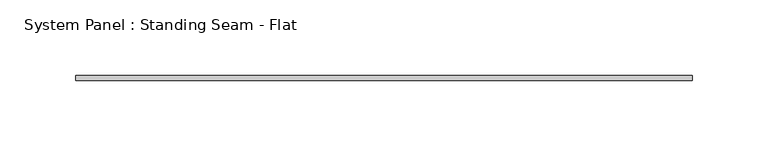
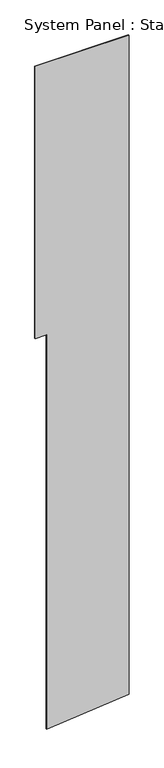
"""IFC4 building model written with IfcOpenShell, lengths in millimetres: plate geometry, System Panel : Standing Seam - Flat."""

from ifc_helpers import new_model, si_unit, frame, origin, place, context, project, spatial, polyline, outline, extrude, source, transform, mapped, element, save


def system_panel_standing_seam_flat_b0cbaabe(model_context):
    return source(origin(), model_context, "Body", "SweptSolid", [
        extrude(outline(polyline([(0.0, -154.7400152), (36.372999, 203.2), (3048.2578427, 203.2), (3048.2578427, -203.2), (1803.6578427, -203.2), (1803.6578427, -154.7400152), (0.0, -154.7400152)])), frame((0.0, -1.5875, 0.0), z_axis=(0.0, 1.0, 0.0), x_axis=(0.0, 0.0, 1.0)), (0.0, 0.0, 1.0), 3.175),
    ])


if __name__ == "__main__":
    model = new_model("IFC4")
    model_context = context("Model", 3, world=origin())
    ifc_project = project(units=[si_unit("LENGTHUNIT", "METRE", prefix="MILLI")], contexts=[model_context])
    site = spatial("IfcSite", under=ifc_project)
    building = spatial("IfcBuilding", under=site)
    placement = place(None, origin())
    system_panel_standing_seam_flat_shape = system_panel_standing_seam_flat_b0cbaabe(model_context)
    element("IfcPlate", 1, ObjectType="System Panel : Standing Seam - Flat", at=placement, inside=building, context=model_context, shape_type="MappedRepresentation", body=[
        mapped(system_panel_standing_seam_flat_shape, transform((0.0, 0.0, 0.0), x_axis=(1.0, 0.0, 0.0), y_axis=(0.0, 1.0, 0.0), z_axis=(0.0, 0.0, 1.0))),
    ])
    save(model, "model.ifc")
